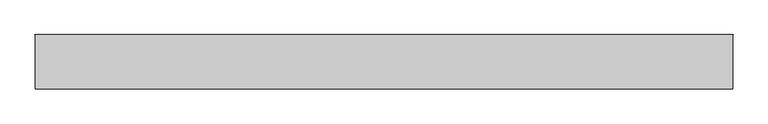
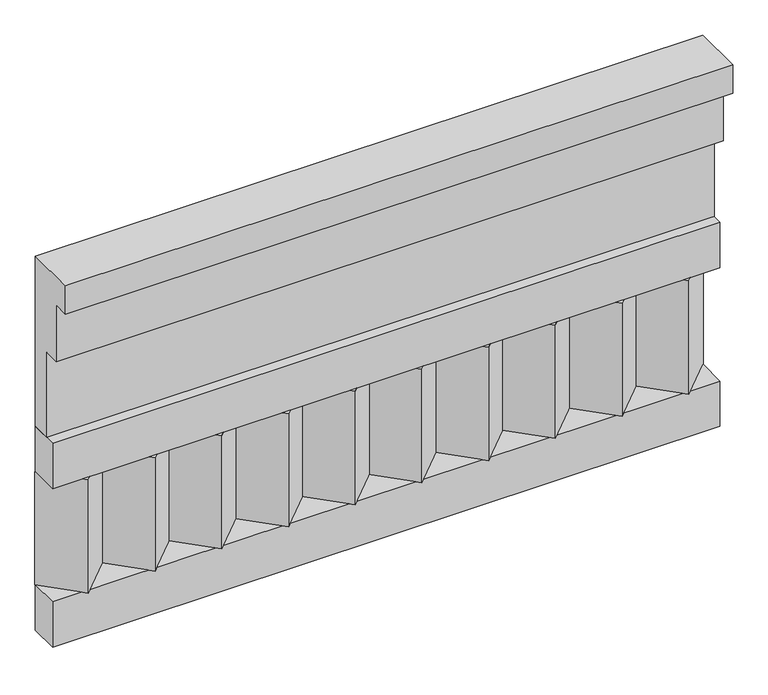
"""IFC4 building model written with IfcOpenShell, lengths in millimetres: railing geometry."""

from ifc_helpers import new_model, si_unit, frame, origin, place, context, project, spatial, polyline, outline, extrude, source, transform, mapped, element, save


def railing_5cef0312(model_context):
    return source(origin(), model_context, "Body", "SweptSolid", [
        extrude(outline(polyline([(-16816.8920513, 28400.0), (-16816.8920513, 27950.0), (-16866.8920513, 27950.0), (-16866.8920513, 28175.0), (-16906.8920513, 28175.0), (-16906.8920513, 28325.0), (-16946.8920513, 28325.0), (-16946.8920513, 28400.0), (-16816.8920513, 28400.0)])), frame((-5539.9887159, 0.0, 0.0), z_axis=(1.0, 0.0, 0.0), x_axis=(0.0, 1.0, 0.0)), (0.0, 0.0, 1.0), 1670.0),
        extrude(outline(polyline([(-5539.9887159, -16891.8920513), (-5539.9887159, -16816.8920513), (-3869.9887159, -16816.8920513), (-3869.9887159, -16891.8920513), (-5539.9887159, -16891.8920513)])), frame((0.0, 0.0, 27830.0), z_axis=(0.0, 0.0, 1.0), x_axis=(1.0, 0.0, 0.0)), (0.0, 0.0, 1.0), 120.0),
        extrude(outline(polyline([(-5539.9887159, -16891.8920513), (-5539.9887159, -16816.8920513), (-3869.9887159, -16816.8920513), (-3869.9887159, -16891.8920513), (-5539.9887159, -16891.8920513)])), frame((0.0, 0.0, 27410.0), z_axis=(0.0, 0.0, 1.0), x_axis=(1.0, 0.0, 0.0)), (0.0, 0.0, 1.0), 120.0),
        extrude(outline(polyline([(-3953.4887159, -16901.7448651), (-4038.3415296, -16816.8920513), (-3868.6359022, -16816.8920513), (-3953.4887159, -16901.7448651)])), frame((0.0, 0.0, 27530.0), z_axis=(0.0, 0.0, 1.0), x_axis=(1.0, 0.0, 0.0)), (0.0, 0.0, 1.0), 300.0),
        extrude(outline(polyline([(-4120.4887159, -16901.7448651), (-4205.3415296, -16816.8920513), (-4035.6359022, -16816.8920513), (-4120.4887159, -16901.7448651)])), frame((0.0, 0.0, 27530.0), z_axis=(0.0, 0.0, 1.0), x_axis=(1.0, 0.0, 0.0)), (0.0, 0.0, 1.0), 300.0),
        extrude(outline(polyline([(-4287.4887159, -16901.7448651), (-4372.3415296, -16816.8920513), (-4202.6359022, -16816.8920513), (-4287.4887159, -16901.7448651)])), frame((0.0, 0.0, 27530.0), z_axis=(0.0, 0.0, 1.0), x_axis=(1.0, 0.0, 0.0)), (0.0, 0.0, 1.0), 300.0),
        extrude(outline(polyline([(-4454.4887159, -16901.7448651), (-4539.3415296, -16816.8920513), (-4369.6359022, -16816.8920513), (-4454.4887159, -16901.7448651)])), frame((0.0, 0.0, 27530.0), z_axis=(0.0, 0.0, 1.0), x_axis=(1.0, 0.0, 0.0)), (0.0, 0.0, 1.0), 300.0),
        extrude(outline(polyline([(-4621.4887159, -16901.7448651), (-4706.3415296, -16816.8920513), (-4536.6359022, -16816.8920513), (-4621.4887159, -16901.7448651)])), frame((0.0, 0.0, 27530.0), z_axis=(0.0, 0.0, 1.0), x_axis=(1.0, 0.0, 0.0)), (0.0, 0.0, 1.0), 300.0),
        extrude(outline(polyline([(-4788.4887159, -16901.7448651), (-4873.3415296, -16816.8920513), (-4703.6359022, -16816.8920513), (-4788.4887159, -16901.7448651)])), frame((0.0, 0.0, 27530.0), z_axis=(0.0, 0.0, 1.0), x_axis=(1.0, 0.0, 0.0)), (0.0, 0.0, 1.0), 300.0),
        extrude(outline(polyline([(-4955.4887159, -16901.7448651), (-5040.3415296, -16816.8920513), (-4870.6359022, -16816.8920513), (-4955.4887159, -16901.7448651)])), frame((0.0, 0.0, 27530.0), z_axis=(0.0, 0.0, 1.0), x_axis=(1.0, 0.0, 0.0)), (0.0, 0.0, 1.0), 300.0),
        extrude(outline(polyline([(-5122.4887159, -16901.7448651), (-5207.3415296, -16816.8920513), (-5037.6359022, -16816.8920513), (-5122.4887159, -16901.7448651)])), frame((0.0, 0.0, 27530.0), z_axis=(0.0, 0.0, 1.0), x_axis=(1.0, 0.0, 0.0)), (0.0, 0.0, 1.0), 300.0),
        extrude(outline(polyline([(-5289.4887159, -16901.7448651), (-5374.3415296, -16816.8920513), (-5204.6359022, -16816.8920513), (-5289.4887159, -16901.7448651)])), frame((0.0, 0.0, 27530.0), z_axis=(0.0, 0.0, 1.0), x_axis=(1.0, 0.0, 0.0)), (0.0, 0.0, 1.0), 300.0),
        extrude(outline(polyline([(-5456.4887159, -16901.7448651), (-5541.3415296, -16816.8920513), (-5371.6359022, -16816.8920513), (-5456.4887159, -16901.7448651)])), frame((0.0, 0.0, 27530.0), z_axis=(0.0, 0.0, 1.0), x_axis=(1.0, 0.0, 0.0)), (0.0, 0.0, 1.0), 300.0),
    ])


if __name__ == "__main__":
    model = new_model("IFC4")
    model_context = context("Model", 3, world=origin())
    ifc_project = project(units=[si_unit("LENGTHUNIT", "METRE", prefix="MILLI")], contexts=[model_context])
    site = spatial("IfcSite", under=ifc_project)
    building = spatial("IfcBuilding", under=site)
    placement = place(None, origin())
    railing_shape = railing_5cef0312(model_context)
    element("IfcRailing", 1, at=placement, inside=building, context=model_context, shape_type="MappedRepresentation", body=[
        mapped(railing_shape, transform((0.0, 0.0, 0.0), x_axis=(1.0, 0.0, 0.0), y_axis=(0.0, 1.0, 0.0), z_axis=(0.0, 0.0, 1.0))),
    ])
    save(model, "model.ifc")
